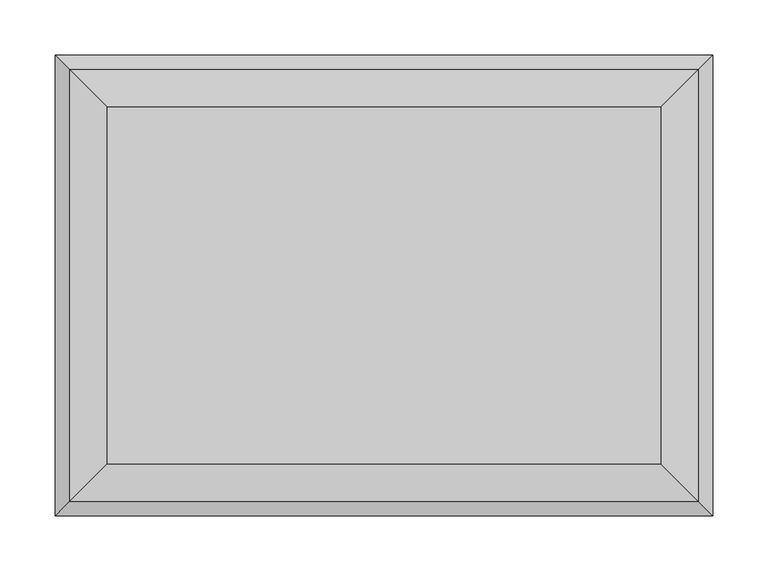
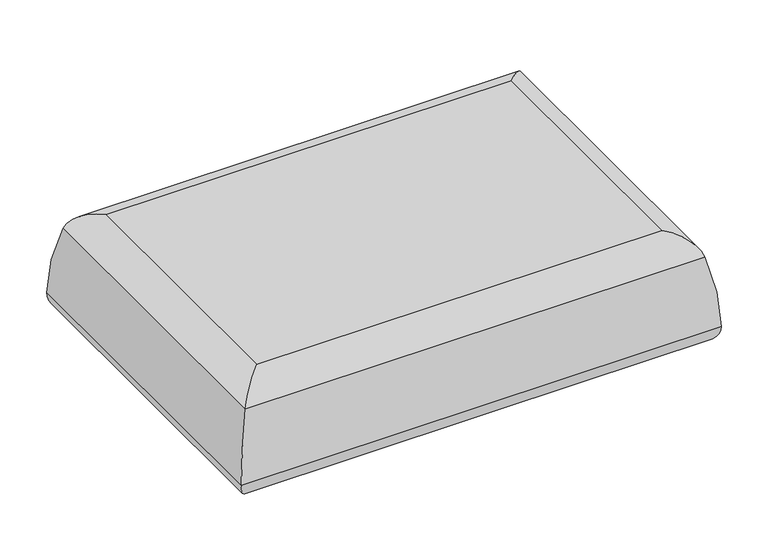
"""IFC4 building model written with IfcOpenShell, lengths in millimetres: furniture geometry."""

from ifc_helpers import new_model, si_unit, frame, origin, place, context, project, spatial, ellipse_curve, source, transform, mapped, element, save
from ifc_brep_helpers import plane_surface, cylinder_surface, advanced_brep


def furniture_ebc8e16d(model_context):
    return source(origin(), model_context, "Body", "AdvancedBrep", [
        advanced_brep(
        [(308.4506705, -183.0381705, 419.1), (-235.4256705, -183.0381705, 419.1), (-235.4256705, 183.0381705, 419.1), (308.4506705, 183.0381705, 419.1), (320.8225129, 195.4100129, 532.4112358), (287.3375, 161.925, 558.8), (287.3375, -161.925, 558.8), (320.8225129, -195.4100129, 532.4112358), (-214.3125, -161.925, 558.8), (-247.7975129, -195.4100129, 532.4112358), (-214.3125, 161.925, 558.8), (-247.7975129, 195.4100129, 532.4112358), (333.8486903, -208.4361903, 444.8171647), (333.8486903, 208.4361903, 444.8171647), (-260.8236903, -208.4361903, 444.8171647), (-260.8236903, 208.4361903, 444.8171647)],
        [
            (0, 1),
            (1, 2),
            (2, 3),
            (3, 0),
            (4, 5, ellipse_curve(frame((285.6214571, 160.2089571, 522.1833478), z_axis=(0.7071067811865475, -0.7071067811865475, 0.0), x_axis=(0.7071067811865474, 0.7071067811865476, 0.0)), 51.8406023, 36.6568414)),
            (5, 6),
            (6, 7, ellipse_curve(frame((285.6214571, -160.2089571, 522.1833478), z_axis=(0.7071067811865475, 0.7071067811865475, 0.0), x_axis=(-0.7071067811865474, 0.7071067811865476, 0.0)), 51.8406023, 36.6568414)),
            (7, 4),
            (6, 8),
            (8, 9, ellipse_curve(frame((-212.5964571, -160.2089571, 522.1833478), z_axis=(0.7071067811865475, -0.7071067811865475, 0.0), x_axis=(0.7071067811865476, 0.7071067811865474, 0.0)), 51.8406023, 36.6568414)),
            (9, 7),
            (8, 10),
            (10, 11, ellipse_curve(frame((-212.5964571, 160.2089571, 522.1833478), z_axis=(-0.7071067811865475, -0.7071067811865475, 0.0), x_axis=(0.7071067811865474, -0.7071067811865476, 0.0)), 51.8406023, 36.6568414)),
            (11, 9),
            (4, 11),
            (10, 5),
            (7, 12, ellipse_curve(frame((5.2285675, 120.1839325, 440.7134315), z_axis=(0.7071067811865475, 0.7071067811865475, 0.0), x_axis=(-0.7071067811865474, 0.7071067811865476, 0.0)), 464.7752698, 328.645745)),
            (12, 13),
            (13, 4, ellipse_curve(frame((5.2285675, -120.1839325, 440.7134315), z_axis=(0.7071067811865475, -0.7071067811865475, 0.0), x_axis=(0.7071067811865474, 0.7071067811865476, 0.0)), 464.7752698, 328.645745)),
            (9, 14, ellipse_curve(frame((67.7964325, 120.1839325, 440.7134315), z_axis=(0.7071067811865475, -0.7071067811865475, 0.0), x_axis=(0.7071067811865476, 0.7071067811865474, 0.0)), 464.7752698, 328.645745)),
            (14, 12),
            (11, 15, ellipse_curve(frame((67.7964325, -120.1839325, 440.7134315), z_axis=(-0.7071067811865475, -0.7071067811865475, 0.0), x_axis=(0.7071067811865474, -0.7071067811865476, 0.0)), 464.7752698, 328.645745)),
            (15, 14),
            (13, 15),
            (3, 13, ellipse_curve(frame((308.4506705, 183.0381705, 444.5), z_axis=(0.7071067811865475, -0.7071067811865475, 0.0), x_axis=(0.7071067811865474, 0.7071067811865476, 0.0)), 35.9210245, 25.4)),
            (12, 0, ellipse_curve(frame((308.4506705, -183.0381705, 444.5), z_axis=(0.7071067811865475, 0.7071067811865475, 0.0), x_axis=(-0.7071067811865474, 0.7071067811865476, 0.0)), 35.9210245, 25.4)),
            (14, 1, ellipse_curve(frame((-235.4256705, -183.0381705, 444.5), z_axis=(0.7071067811865475, -0.7071067811865475, 0.0), x_axis=(0.7071067811865476, 0.7071067811865474, 0.0)), 35.9210245, 25.4)),
            (15, 2, ellipse_curve(frame((-235.4256705, 183.0381705, 444.5), z_axis=(-0.7071067811865475, -0.7071067811865475, 0.0), x_axis=(0.7071067811865474, -0.7071067811865476, 0.0)), 35.9210245, 25.4)),
        ],
        [
            plane_surface(frame((-235.4256705, 183.0381705, 419.1), z_axis=(0.0, 0.0, -1.0), x_axis=(1.0, 0.0, 0.0))),
            cylinder_surface(frame((285.6214571, 209.55, 522.1833478), z_axis=(0.0, 1.0, 0.0), x_axis=(1.0, 0.0, 0.0)), 36.6568414),
            cylinder_surface(frame((334.9625, -160.2089571, 522.1833478), z_axis=(1.0, 0.0, 0.0), x_axis=(0.0, -1.0, 0.0)), 36.6568414),
            cylinder_surface(frame((-212.5964571, -209.55, 522.1833478), z_axis=(0.0, -1.0, 0.0), x_axis=(-1.0, 0.0, 0.0)), 36.6568414),
            cylinder_surface(frame((-261.9375, 160.2089571, 522.1833478), z_axis=(-1.0, 0.0, 0.0), x_axis=(0.0, 1.0, 0.0)), 36.6568414),
            cylinder_surface(frame((5.2285675, 209.55, 440.7134315), z_axis=(0.0, 1.0, 0.0), x_axis=(1.0, 0.0, 0.0)), 328.645745),
            cylinder_surface(frame((334.9625, 120.1839325, 440.7134315), z_axis=(1.0, 0.0, 0.0), x_axis=(0.0, -1.0, 0.0)), 328.645745),
            cylinder_surface(frame((67.7964325, -209.55, 440.7134315), z_axis=(0.0, -1.0, 0.0), x_axis=(-1.0, 0.0, 0.0)), 328.645745),
            cylinder_surface(frame((-261.9375, -120.1839325, 440.7134315), z_axis=(-1.0, 0.0, 0.0), x_axis=(0.0, 1.0, 0.0)), 328.645745),
            cylinder_surface(frame((308.4506705, 209.55, 444.5), z_axis=(0.0, 1.0, 0.0), x_axis=(1.0, 0.0, 0.0)), 25.4),
            cylinder_surface(frame((334.9625, -183.0381705, 444.5), z_axis=(1.0, 0.0, 0.0), x_axis=(0.0, -1.0, 0.0)), 25.4),
            cylinder_surface(frame((-235.4256705, -209.55, 444.5), z_axis=(0.0, -1.0, 0.0), x_axis=(-1.0, 0.0, 0.0)), 25.4),
            cylinder_surface(frame((-261.9375, 183.0381705, 444.5), z_axis=(-1.0, 0.0, 0.0), x_axis=(0.0, 1.0, 0.0)), 25.4),
            plane_surface(frame((-214.3125, 161.925, 558.8), z_axis=(0.0, 0.0, 1.0), x_axis=(-1.0, 0.0, 0.0))),
        ],
        [
            (0, [[1, 2, 3, 4]]),
            (1, [[5, 6, 7, 8]]),
            (2, [[-7, 9, 10, 11]]),
            (3, [[-10, 12, 13, 14]]),
            (4, [[-5, 15, -13, 16]]),
            (5, [[-8, 17, 18, 19]]),
            (6, [[-11, 20, 21, -17]]),
            (7, [[-14, 22, 23, -20]]),
            (8, [[-15, -19, 24, -22]]),
            (9, [[-4, 25, -18, 26]]),
            (10, [[-1, -26, -21, 27]]),
            (11, [[-2, -27, -23, 28]]),
            (12, [[-3, -28, -24, -25]]),
            (13, [[-6, -16, -12, -9]]),
        ],
    ),
    ])


if __name__ == "__main__":
    model = new_model("IFC4")
    model_context = context("Model", 3, world=origin())
    ifc_project = project(units=[si_unit("LENGTHUNIT", "METRE", prefix="MILLI")], contexts=[model_context])
    site = spatial("IfcSite", under=ifc_project)
    building = spatial("IfcBuilding", under=site)
    placement = place(None, origin())
    furniture_shape = furniture_ebc8e16d(model_context)
    element("IfcFurniture", 1, at=placement, inside=building, context=model_context, shape_type="MappedRepresentation", body=[
        mapped(furniture_shape, transform((0.0, 0.0, 0.0), x_axis=(1.0, 0.0, 0.0), y_axis=(0.0, 1.0, 0.0), z_axis=(0.0, 0.0, 1.0))),
    ])
    save(model, "model.ifc")
